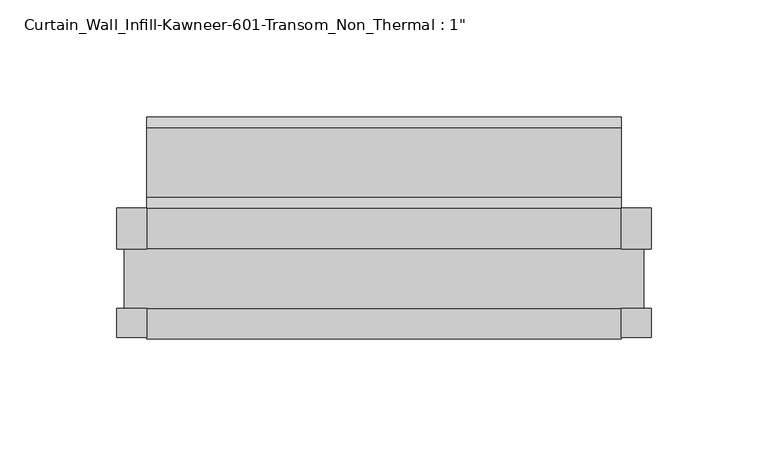
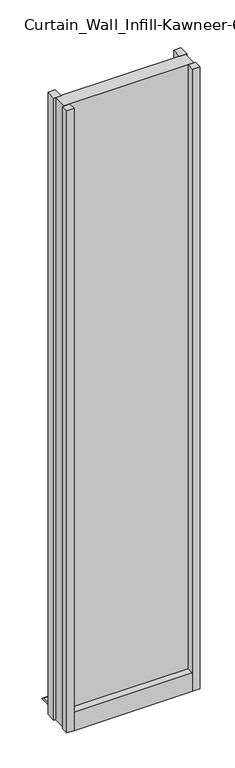
"""IFC4 building model written with IfcOpenShell, lengths in millimetres: plate geometry."""

from ifc_helpers import new_model, si_unit, frame, origin, origin_with_axes, place, context, project, spatial, polyline, outline, extrude, source, transform, mapped, element, save


def plate_7e825d11(model_context):
    return source(origin(), model_context, "Body", "SweptSolid", [
        extrude(outline(polyline([(114.3, 30.2901131), (114.3, 12.7), (101.6, 12.7), (101.6, 30.2901131), (114.3, 30.2901131)])), origin_with_axes(), (0.0, 0.0, 1.0), 1127.125),
        extrude(outline(polyline([(101.6, -25.2723869), (101.6, -12.7), (114.3, -12.7), (114.3, -25.2723869), (101.6, -25.2723869)])), origin_with_axes(), (0.0, 0.0, 1.0), 1127.125),
        extrude(outline(polyline([(-114.3, 30.2901131), (-101.6, 30.2901131), (-101.6, 12.7), (-114.3, 12.7), (-114.3, 30.2901131)])), origin_with_axes(), (0.0, 0.0, 1.0), 1127.125),
        extrude(outline(polyline([(-101.6, -25.2723869), (-114.3, -25.2723869), (-114.3, -12.7), (-101.6, -12.7), (-101.6, -25.2723869)])), origin_with_axes(), (0.0, 0.0, 1.0), 1127.125),
        extrude(outline(polyline([(-12.7, 33.3375), (-12.7, 23.8125), (12.7, 23.8125), (12.7, 33.3375), (30.2435382, 33.3375), (30.2435382, 6.3122662), (34.9431706, 3.7072174), (64.5512788, 3.7072174), (69.3036182, 0.963453), (69.3036182, 0.0), (-25.625216, 0.0), (-25.625216, 33.3375), (-12.7, 33.3375)])), frame((-101.6, 0.0, 0.0), z_axis=(1.0, 0.0, 0.0), x_axis=(0.0, 1.0, 0.0)), (0.0, 0.0, 1.0), 203.2),
        extrude(outline(polyline([(-111.125, -12.7), (-111.125, 12.7), (111.125, 12.7), (111.125, -12.7), (-111.125, -12.7)])), origin_with_axes(), (0.0, 0.0, 1.0), 1127.125),
    ])


if __name__ == "__main__":
    model = new_model("IFC4")
    model_context = context("Model", 3, world=origin())
    ifc_project = project(units=[si_unit("LENGTHUNIT", "METRE", prefix="MILLI")], contexts=[model_context])
    site = spatial("IfcSite", under=ifc_project)
    building = spatial("IfcBuilding", under=site)
    placement = place(None, origin())
    plate_shape = plate_7e825d11(model_context)
    element("IfcPlate", 1, ObjectType="Curtain_Wall_Infill-Kawneer-601-Transom_Non_Thermal : 1\"", at=placement, inside=building, context=model_context, shape_type="MappedRepresentation", body=[
        mapped(plate_shape, transform((0.0, 0.0, 0.0), x_axis=(1.0, 0.0, 0.0), y_axis=(0.0, 1.0, 0.0), z_axis=(0.0, 0.0, 1.0))),
    ])
    save(model, "model.ifc")
